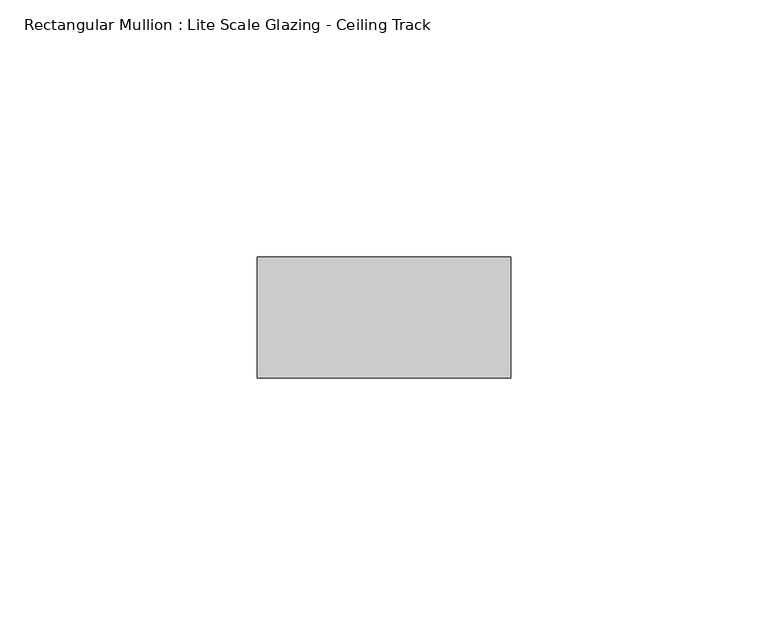
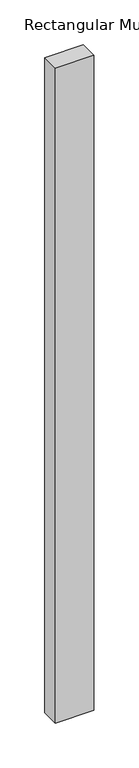
"""IFC4 building model written with IfcOpenShell, lengths in millimetres: member geometry, Rectangular Mullion : Lite Scale Glazing - Ceiling Track."""

import ifcopenshell
import ifcopenshell.guid

model = None  # the IFC model being written
_history = None  # IfcOwnerHistory: only IFC2X3 demands one
_inside = {}  # id of a spatial element -> (the spatial element, [elements in it])
_under = {}  # id of a project, library or spatial element -> (it, [spatial elements below it])
_declared = {}  # id of a project -> (the project, [libraries it declares])
_typed = {}  # id of a type object -> (the type object, [elements of that type])
_made_of = {}  # id of a material, layer set ... -> (it, [elements and type objects made of it])


def new_model(schema):
    """Start an empty IFC model of exactly this schema.

    Asked for "IFC4X3", IfcOpenShell would pick the latest addendum, in which some entities
    have other attributes; the version numbers below select the first issue.
    IFC2X3 requires an IfcOwnerHistory on every rooted entity: one is made here for all.
    """
    global model, _history
    if schema == "IFC4X3":
        model = ifcopenshell.file(schema_version=(4, 3, 0, 0))
    else:
        model = ifcopenshell.file(schema=schema)
    _inside.clear()
    _under.clear()
    _declared.clear()
    _typed.clear()
    _made_of.clear()
    _history = None
    if model.schema == "IFC2X3":
        org = make("IfcOrganization", Name="unknown")
        user = make(
            "IfcPersonAndOrganization",
            ThePerson=make("IfcPerson", FamilyName="unknown"),
            TheOrganization=org,
        )
        app = make(
            "IfcApplication",
            ApplicationDeveloper=org,
            Version="unknown",
            ApplicationFullName="unknown",
            ApplicationIdentifier="unknown",
        )
        _history = make(
            "IfcOwnerHistory",
            OwningUser=user,
            OwningApplication=app,
            ChangeAction="ADDED",
            CreationDate=0,
        )
    return model


def make(cls, **values):
    """One entity of the class cls with the attributes given. An attribute that is None is left unset."""
    return model.create_entity(
        cls, **{name: value for name, value in values.items() if value is not None}
    )


def rooted(cls, **values):
    """An entity with a GlobalId (a new one), such as an element, a storey or a relation."""
    return make(cls, GlobalId=ifcopenshell.guid.new(), OwnerHistory=_history, **values)


def si_unit(unit_type, name, prefix=None):
    """IfcSIUnit, for example si_unit("LENGTHUNIT", "METRE", prefix="MILLI")."""
    return make("IfcSIUnit", UnitType=unit_type, Prefix=prefix, Name=name)


def assignment(units):
    """IfcUnitAssignment: the units of a project."""
    return None if units is None else make("IfcUnitAssignment", Units=units)


def point(xyz):
    """IfcCartesianPoint."""
    return None if xyz is None else make("IfcCartesianPoint", Coordinates=xyz)


def direction(xyz):
    """IfcDirection."""
    return None if xyz is None else make("IfcDirection", DirectionRatios=xyz)


def frame(location, z_axis=None, x_axis=None):
    """IfcAxis2Placement3D, a coordinate frame: its origin and axes. An axis left out is left unset."""
    return make(
        "IfcAxis2Placement3D",
        Location=point(location),
        Axis=direction(z_axis),
        RefDirection=direction(x_axis),
    )


def origin():
    """The frame at (0, 0, 0) with its axes left unset."""
    return frame((0.0, 0.0, 0.0))


def place(relative_to, where):
    """IfcLocalPlacement: puts the frame where relative to a parent placement (None: the world)."""
    return make(
        "IfcLocalPlacement", PlacementRelTo=relative_to, RelativePlacement=where
    )


def context(
    kind, dimensions, precision=None, world=None, true_north=None, identifier=None
):
    """IfcGeometricRepresentationContext, for example the 3D "Model" context."""
    return make(
        "IfcGeometricRepresentationContext",
        ContextIdentifier=identifier,
        ContextType=kind,
        CoordinateSpaceDimension=dimensions,
        Precision=precision,
        WorldCoordinateSystem=world,
        TrueNorth=true_north,
    )


def project(units=None, contexts=None):
    """IfcProject with its units and contexts."""
    return rooted(
        "IfcProject",
        Name="project",
        RepresentationContexts=contexts,
        UnitsInContext=assignment(units),
    )


def spatial(cls, under=None, at=None, **own):
    """A site, building, storey or space (cls), placed at a placement, below another one or the project."""
    s = rooted(cls, ObjectPlacement=at, **own)
    if under is not None:
        _under.setdefault(under.id(), (under, []))[1].append(s)
    return s


def polyline(points):
    """IfcPolyline through the points."""
    return make("IfcPolyline", Points=[point(p) for p in points])


def outline(outer, holes=None, kind="AREA"):
    """IfcArbitraryClosedProfileDef: a profile drawn as a closed curve; with holes, ...WithVoids."""
    if holes is None:
        return make("IfcArbitraryClosedProfileDef", ProfileType=kind, OuterCurve=outer)
    return make(
        "IfcArbitraryProfileDefWithVoids",
        ProfileType=kind,
        OuterCurve=outer,
        InnerCurves=holes,
    )


def extrude(swept, where, along, depth):
    """IfcExtrudedAreaSolid: the profile swept, set in the frame where, extruded along a direction by depth."""
    return make(
        "IfcExtrudedAreaSolid",
        SweptArea=swept,
        Position=where,
        ExtrudedDirection=direction(along),
        Depth=depth,
    )


def shape(context_of_items, identifier, shape_type, items):
    """IfcShapeRepresentation: the items that make up one representation, for example the "Body"."""
    return make(
        "IfcShapeRepresentation",
        ContextOfItems=context_of_items,
        RepresentationIdentifier=identifier,
        RepresentationType=shape_type,
        Items=items,
    )


def source(mapping_origin, context_of_items, identifier, shape_type, items):
    """IfcRepresentationMap: a shape defined once, which mapped items show again and again."""
    return make(
        "IfcRepresentationMap",
        MappingOrigin=mapping_origin,
        MappedRepresentation=shape(context_of_items, identifier, shape_type, items),
    )


def transform(
    local_origin,
    x_axis=None,
    y_axis=None,
    z_axis=None,
    scale=None,
    scale2=None,
    scale3=None,
    uniform=True,
):
    """IfcCartesianTransformationOperator3D, or its non-uniform kind. x_axis, y_axis, z_axis: its Axis1, 2, 3."""
    if uniform:
        return make(
            "IfcCartesianTransformationOperator3D",
            Axis1=direction(x_axis),
            Axis2=direction(y_axis),
            LocalOrigin=point(local_origin),
            Scale=scale,
            Axis3=direction(z_axis),
        )
    return make(
        "IfcCartesianTransformationOperator3DnonUniform",
        Axis1=direction(x_axis),
        Axis2=direction(y_axis),
        LocalOrigin=point(local_origin),
        Scale=scale,
        Axis3=direction(z_axis),
        Scale2=scale2,
        Scale3=scale3,
    )


def mapped(mapping_source, mapping_target):
    """IfcMappedItem: shows the shape of a source again, moved by a transform."""
    return make(
        "IfcMappedItem", MappingSource=mapping_source, MappingTarget=mapping_target
    )


def made_of(thing, what):
    """Note that an element or type object is made of a material, layer set ...; save() writes the relation."""
    if what is not None:
        _made_of.setdefault(what.id(), (what, []))[1].append(thing)
    return thing


def element(
    cls,
    number,
    at=None,
    inside=None,
    cuts=None,
    type_object=None,
    material=None,
    context=None,
    identifier="Body",
    shape_type=None,
    held_by="IfcProductDefinitionShape",
    body=None,
    shapes=None,
    **own,
):
    """One element of the class cls, such as IfcWall. Its Tag is "e" and its number.

    at: its placement. inside: the storey or other place that contains it. cuts: it is an
    opening in that element (IfcRelVoidsElement). A single representation is given by context,
    identifier, shape_type and body (its items); several are given by shapes. held_by: the class
    of the entity that holds the representations. save() writes the other relations.
    """
    e = rooted(cls, Tag="e%d" % number, ObjectPlacement=at, **own)
    if body is not None:
        shapes = [shape(context, identifier, shape_type, body)]
    if shapes is not None:
        e.Representation = make(held_by, Representations=shapes)
    if inside is not None:
        _inside.setdefault(inside.id(), (inside, []))[1].append(e)
    if cuts is not None:
        rooted(
            "IfcRelVoidsElement", RelatingBuildingElement=cuts, RelatedOpeningElement=e
        )
    if type_object is not None:
        _typed.setdefault(type_object.id(), (type_object, []))[1].append(e)
    return made_of(e, material)


def aggregate(whole, parts):
    """IfcRelAggregates: a whole, such as a stair, and the parts it consists of."""
    return rooted("IfcRelAggregates", RelatingObject=whole, RelatedObjects=parts)


def save(model, path):
    """Write the relations noted so far, then the file.

    IfcRelAggregates (storeys below a building ...), IfcRelContainedInSpatialStructure (elements
    in a storey), IfcRelDefinesByType, IfcRelAssociatesMaterial and IfcRelDeclares: one each for
    every whole, place, type object, material and project.
    """
    for whole, parts in _under.values():
        aggregate(whole, parts)
    for where, things in _inside.values():
        rooted(
            "IfcRelContainedInSpatialStructure",
            RelatedElements=things,
            RelatingStructure=where,
        )
    for kind, things in _typed.values():
        rooted("IfcRelDefinesByType", RelatedObjects=things, RelatingType=kind)
    for what, things in _made_of.values():
        rooted("IfcRelAssociatesMaterial", RelatedObjects=things, RelatingMaterial=what)
    for by, libraries in _declared.values():
        rooted("IfcRelDeclares", RelatingContext=by, RelatedDefinitions=libraries)
    model.write(path)


def rectangular_mullion_lite_scale_glazing_ceiling_track_6feb9829(model_context):
    return source(origin(), model_context, "Body", "SweptSolid", [
        extrude(outline(polyline([(-49.276, -11.7474999), (-49.276, 11.7474999), (0.0, 11.7474999), (0.0, -11.7474999), (-49.276, -11.7474999)])), frame((0.0, 0.0, -889.7663598), z_axis=(0.0, 0.0, 1.0), x_axis=(1.0, 0.0, 0.0)), (0.0, 0.0, 1.0), 889.7663598),
    ])


if __name__ == "__main__":
    model = new_model("IFC4")
    model_context = context("Model", 3, world=origin())
    ifc_project = project(units=[si_unit("LENGTHUNIT", "METRE", prefix="MILLI")], contexts=[model_context])
    site = spatial("IfcSite", under=ifc_project)
    building = spatial("IfcBuilding", under=site)
    placement = place(None, origin())
    rectangular_mullion_lite_scale_glazing_ceiling_track_shape = rectangular_mullion_lite_scale_glazing_ceiling_track_6feb9829(model_context)
    element("IfcMember", 1, ObjectType="Rectangular Mullion : Lite Scale Glazing - Ceiling Track", at=placement, inside=building, context=model_context, shape_type="MappedRepresentation", body=[
        mapped(rectangular_mullion_lite_scale_glazing_ceiling_track_shape, transform((0.0, 0.0, 0.0), x_axis=(1.0, 0.0, 0.0), y_axis=(0.0, 1.0, 0.0), z_axis=(0.0, 0.0, 1.0))),
    ])
    save(model, "model.ifc")
